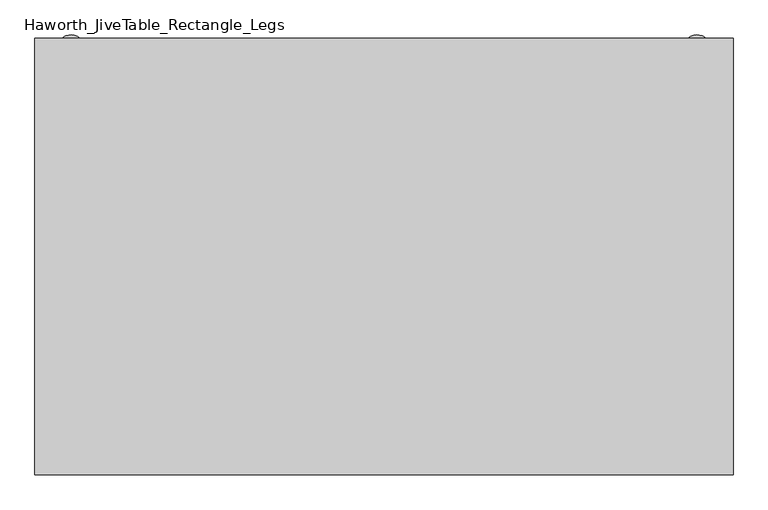
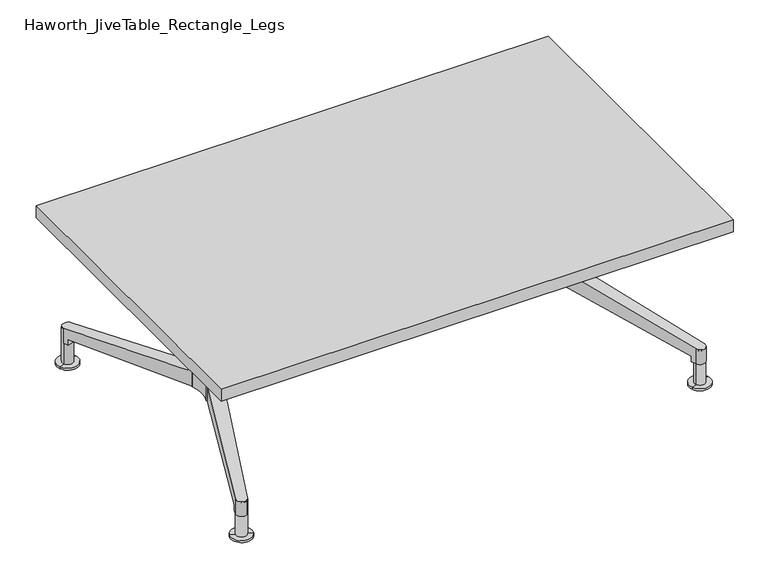
"""IFC4 building model written with IfcOpenShell, lengths in millimetres: furniture geometry, Haworth_JiveTable_Rectangle_Legs."""

from ifc_helpers import new_model, si_unit, point, frame, frame_2d, origin, place, context, project, spatial, polyline, circle_curve, ellipse_curve, trimmed, segment, composite_curve, outline, extrude, source, transform, mapped, element, save
from ifc_brep_helpers import plane_surface, cylinder_surface, revolved_surface, advanced_brep


def haworth_jivetable_rectangle_legs_92246667(model_context):
    return source(origin(), model_context, "Body", "SolidModel", [
        advanced_brep(
        [(-406.939782, 46.394844, 174.625), (-409.052618, 51.7041477, 174.625), (-440.2492791, 40.1227864, 174.625), (-438.0519076, 34.2037367, 174.625), (-438.0519076, 34.2037367, 102.4084977), (-406.939782, 46.394844, 102.3517821), (-442.043555, 44.9560194, 137.9822533), (-557.9608487, 357.201915, 95.0869561), (-557.9608487, 357.201915, 57.15), (-553.6575679, 345.6101866, 57.15), (-553.6575679, 345.6101866, 71.0642965), (-534.3669575, 366.604058, 95.0092965), (-534.3669575, 366.604058, 57.15), (-529.57087, 354.552065, 71.0642965), (-529.57087, 354.552065, 57.15), (-410.9593834, 56.4956204, 137.9822533)],
        [
            (0, 1),
            (1, 2),
            (2, 3),
            (3, 0, circle_curve(frame((-413.3103909, 16.8576957, 174.625), z_axis=(0.0, 0.0, -1.0), x_axis=(-0.3593134526521136, 0.9332169323063193, 0.0)), 30.2163497)),
            (3, 4),
            (4, 5, ellipse_curve(frame((-413.3103909, 16.8576957, 104.7554863), z_axis=(0.03269517950241107, -0.08807085880985695, -0.9955774952588069), x_axis=(-0.34648971245974763, 0.9333377889196182, -0.09394387119019494)), 30.3505753, 30.2163497)),
            (5, 0),
            (2, 6),
            (6, 7),
            (7, 8),
            (8, 9),
            (9, 10),
            (10, 4),
            (11, 12),
            (12, 8, circle_curve(frame((-546.1089937, 361.7651959, 57.15), z_axis=(0.0, 0.0, 1.0), x_axis=(-0.3593134526521136, 0.9332169323063193, 0.0)), 12.7)),
            (7, 11, ellipse_curve(frame((-546.1089937, 361.7651959, 95.0672239), z_axis=(0.044454920445371346, -0.11974802039728809, -0.9918085357865835), x_axis=(0.3451780057467878, -0.9298044504129871, 0.1277334268735996)), 12.8048908, 12.7)),
            (5, 13),
            (13, 14),
            (14, 12),
            (11, 15),
            (15, 1),
            (6, 15),
            (10, 13),
            (9, 14),
        ],
        [
            plane_surface(frame((-424.1675318, 45.0561049, 174.625), z_axis=(0.0, 0.0, 1.0), x_axis=(-0.9332169323063193, -0.3593134526521136, 0.0))),
            revolved_surface(polyline([(-424.1675318372507, 45.05610487252897, 101.90423576346849), (-424.1675318372507, 45.05610487252897, 174.625)]), (-413.3103909, 16.8576957, 31.75), (0.0, 0.0, -1.0)),
            plane_surface(frame((-438.0519076, 34.2037367, 174.625), z_axis=(-0.9374838155386289, -0.34802887179533554, 0.0), x_axis=(0.0, 0.0, -1.0))),
            cylinder_surface(frame((-546.1089937, 361.7651959, 31.75), z_axis=(0.0, 0.0, 1.0), x_axis=(-0.3593134526521136, 0.9332169323063193, 0.0)), 12.7),
            plane_surface(frame((-534.3669575, 366.604058, 174.625), z_axis=(0.9291321200906854, 0.3697478916989093, 0.0), x_axis=(0.0, 0.0, -1.0))),
            plane_surface(frame((-531.4342377, 400.9168313, 90.9979246), z_axis=(-0.044454920445371346, 0.11974802039728809, 0.9918085357865835), x_axis=(-0.937483815538629, -0.34802887179533504, 0.0))),
            plane_surface(frame((-404.4670274, 58.9058245, 137.9822533), z_axis=(-0.3446344404285561, 0.9283402509461395, 0.13932509086218053), x_axis=(-0.937483815538629, -0.34802887179533504, 0.0))),
            plane_surface(frame((-391.7817889, 24.6192713, 104.7758894), z_axis=(0.03269517950241106, -0.08807085880985693, -0.9955774952588067), x_axis=(-0.9374838155386293, -0.3480288717953345, 0.0))),
            plane_surface(frame((-516.1190127, 359.5458949, 71.0642965), z_axis=(0.3480288717953345, -0.9374838155386293, 0.0), x_axis=(-0.9374838155386293, -0.3480288717953345, 0.0))),
            plane_surface(frame((-516.1190127, 359.5458949, 57.15), z_axis=(0.0, 0.0, -1.0), x_axis=(-0.9374838155386293, -0.3480288717953345, 0.0))),
        ],
        [
            (0, [[1, 2, 3, 4]]),
            (1, [[5, 6, 7, -4]]),
            (2, [[8, 9, 10, 11, 12, 13, -5, -3]]),
            (3, [[14, 15, -10, 16]]),
            (4, [[-7, 17, 18, 19, -14, 20, 21, -1]]),
            (5, [[-20, -16, -9, 22]]),
            (6, [[-8, -2, -21, -22]]),
            (7, [[-17, -6, -13, 23]]),
            (8, [[-12, 24, -18, -23]]),
            (9, [[-11, -15, -19, -24]]),
        ],
    ),
        advanced_brep(
        [(-406.7593483, -38.8895971, 174.625), (-437.871474, -26.6984898, 174.625), (-440.0688454, -32.6175395, 174.625), (-408.8721843, -44.1989008, 174.625), (-406.7593483, -38.8895971, 102.3517821), (-437.871474, -26.6984898, 102.4084977), (-553.4771342, -338.1049397, 71.0642965), (-553.4771342, -338.1049397, 57.15), (-557.780415, -349.6966681, 57.15), (-557.780415, -349.6966681, 95.0869561), (-441.8631214, -37.4507725, 137.9822533), (-534.1865238, -359.0988111, 95.0092965), (-534.1865238, -359.0988111, 57.15), (-410.7789497, -48.9903736, 137.9822533), (-529.3904363, -347.0468182, 57.15), (-529.3904363, -347.0468182, 71.0642965)],
        [
            (0, 1, circle_curve(frame((-413.1299572, -9.3524488, 174.625), z_axis=(0.0, 0.0, -1.0), x_axis=(-0.3593134526521136, -0.9332169323063193, 0.0)), 30.2163497)),
            (1, 2),
            (2, 3),
            (3, 0),
            (0, 4),
            (4, 5, ellipse_curve(frame((-413.1299572, -9.3524488, 104.7554863), z_axis=(0.03269517950241107, 0.08807085880985695, -0.9955774952588069), x_axis=(-0.34648971245974763, -0.9333377889196182, -0.09394387119019494)), 30.3505753, 30.2163497)),
            (5, 1),
            (5, 6),
            (6, 7),
            (7, 8),
            (8, 9),
            (9, 10),
            (10, 2),
            (11, 9, ellipse_curve(frame((-545.92856, -354.259949, 95.0672239), z_axis=(0.044454920445371346, 0.11974802039728809, -0.9918085357865835), x_axis=(0.3451780057467878, 0.9298044504129871, 0.1277334268735996)), 12.8048908, 12.7)),
            (8, 12, circle_curve(frame((-545.92856, -354.259949, 57.15), z_axis=(0.0, 0.0, 1.0), x_axis=(-0.3593134526521136, -0.9332169323063193, 0.0)), 12.7)),
            (12, 11),
            (3, 13),
            (13, 11),
            (12, 14),
            (14, 15),
            (15, 4),
            (13, 10),
            (15, 6),
            (14, 7),
        ],
        [
            plane_surface(frame((-423.9870981, -37.550858, 174.625), z_axis=(0.0, 0.0, 1.0), x_axis=(-0.9332169323063193, 0.3593134526521136, 0.0))),
            revolved_surface(polyline([(-423.98709813725065, -37.550857972528966, 101.90423576346849), (-423.98709813725065, -37.550857972528966, 174.625)]), (-413.1299572, -9.3524488, 31.75), (0.0, 0.0, -1.0)),
            plane_surface(frame((-437.871474, -26.6984898, 174.625), z_axis=(-0.9374838155386289, 0.34802887179533554, 0.0), x_axis=(0.0, 0.0, -1.0))),
            cylinder_surface(frame((-545.92856, -354.259949, 31.75), z_axis=(0.0, 0.0, 1.0), x_axis=(-0.3593134526521136, -0.9332169323063193, 0.0)), 12.7),
            plane_surface(frame((-534.1865238, -359.0988111, 174.625), z_axis=(0.9291321200906854, -0.3697478916989093, 0.0), x_axis=(0.0, 0.0, -1.0))),
            plane_surface(frame((-531.2538041, -393.4115844, 90.9979246), z_axis=(-0.044454920445371346, -0.11974802039728809, 0.9918085357865835), x_axis=(-0.937483815538629, 0.34802887179533504, 0.0))),
            plane_surface(frame((-404.2865937, -51.4005777, 137.9822533), z_axis=(-0.3446344404285561, -0.9283402509461395, 0.13932509086218053), x_axis=(-0.937483815538629, 0.34802887179533504, 0.0))),
            plane_surface(frame((-391.6013553, -17.1140244, 104.7758894), z_axis=(0.03269517950241106, 0.08807085880985693, -0.9955774952588067), x_axis=(-0.9374838155386293, 0.3480288717953345, 0.0))),
            plane_surface(frame((-515.938579, -352.0406481, 71.0642965), z_axis=(0.3480288717953345, 0.9374838155386293, 0.0), x_axis=(-0.9374838155386293, 0.3480288717953345, 0.0))),
            plane_surface(frame((-515.938579, -352.0406481, 57.15), z_axis=(0.0, 0.0, -1.0), x_axis=(-0.9374838155386293, 0.3480288717953345, 0.0))),
        ],
        [
            (0, [[1, 2, 3, 4]]),
            (1, [[-1, 5, 6, 7]]),
            (2, [[-2, -7, 8, 9, 10, 11, 12, 13]]),
            (3, [[14, -11, 15, 16]]),
            (4, [[-4, 17, 18, -16, 19, 20, 21, -5]]),
            (5, [[22, -12, -14, -18]]),
            (6, [[-22, -17, -3, -13]]),
            (7, [[23, -8, -6, -21]]),
            (8, [[-23, -20, 24, -9]]),
            (9, [[-24, -19, -15, -10]]),
        ],
    ),
        advanced_brep(
        [(-546.3830169, 361.6596896, 92.075), (-534.5311618, 366.2229705, 92.075), (-558.2348719, 357.0964088, 92.075), (-570.0867269, 352.5331279, 0.0), (-522.6793068, 370.7862513, 0.0), (-546.3830169, 361.6596896, 0.0), (-570.0867269, 352.5331279, 4.7625), (-522.6793068, 370.7862513, 4.7625), (-558.2348719, 357.0964088, 4.7625), (-534.5311618, 366.2229705, 4.7625)],
        [
            (0, 1),
            (1, 2, circle_curve(frame((-546.3830169, 361.6596896, 92.075), z_axis=(0.0, 0.0, 1.0), x_axis=(0.9332169323062139, 0.3593134526523873, 0.0)), 12.7)),
            (2, 0),
            (2, 1, circle_curve(frame((-546.3830169, 361.6596896, 92.075), z_axis=(0.0, 0.0, 1.0), x_axis=(0.9332169323062139, 0.3593134526523873, 0.0)), 12.7)),
            (3, 4, circle_curve(frame((-546.3830169, 361.6596896, 0.0), z_axis=(0.0, 0.0, -1.0), x_axis=(0.9332169323062139, 0.3593134526523873, 0.0)), 25.4)),
            (4, 5),
            (5, 3),
            (4, 3, circle_curve(frame((-546.3830169, 361.6596896, 0.0), z_axis=(0.0, 0.0, -1.0), x_axis=(0.9332169323062139, 0.3593134526523873, 0.0)), 25.4)),
            (6, 7, circle_curve(frame((-546.3830169, 361.6596896, 4.7625), z_axis=(0.0, 0.0, -1.0), x_axis=(0.9332169323062139, 0.3593134526523873, 0.0)), 25.4)),
            (7, 4),
            (3, 6),
            (7, 6, circle_curve(frame((-546.3830169, 361.6596896, 4.7625), z_axis=(0.0, 0.0, -1.0), x_axis=(0.9332169323062139, 0.3593134526523873, 0.0)), 25.4)),
            (8, 9, circle_curve(frame((-546.3830169, 361.6596896, 4.7625), z_axis=(0.0, 0.0, -1.0), x_axis=(0.9332169323062139, 0.3593134526523873, 0.0)), 12.7)),
            (9, 7),
            (6, 8),
            (9, 8, circle_curve(frame((-546.3830169, 361.6596896, 4.7625), z_axis=(0.0, 0.0, -1.0), x_axis=(0.9332169323062139, 0.3593134526523873, 0.0)), 12.7)),
            (1, 9),
            (8, 2),
        ],
        [
            plane_surface(frame((-546.3830169, 361.6596896, 92.075), z_axis=(0.0, 0.0, 1.0), x_axis=(0.9332169323062139, 0.3593134526523873, 0.0))),
            plane_surface(frame((-546.3830169, 361.6596896, 0.0), z_axis=(0.0, 0.0, -1.0), x_axis=(0.9332169323062139, 0.3593134526523873, 0.0))),
            cylinder_surface(frame((-546.3830169, 361.6596896, 106.1427212), z_axis=(0.0, 0.0, 1.0), x_axis=(0.9332169323062139, 0.3593134526523873, 0.0)), 25.4),
            plane_surface(frame((-546.3830169, 361.6596896, 4.7625), z_axis=(0.0, 0.0, 1.0), x_axis=(0.9332169323062139, 0.3593134526523873, 0.0))),
            cylinder_surface(frame((-546.3830169, 361.6596896, 106.1427212), z_axis=(0.0, 0.0, 1.0), x_axis=(0.9332169323062139, 0.3593134526523873, 0.0)), 12.7),
        ],
        [
            (0, [[1, 2, 3]]),
            (0, [[-3, 4, -1]]),
            (1, [[5, 6, 7]]),
            (1, [[8, -7, -6]]),
            (2, [[9, 10, -5, 11]]),
            (2, [[12, -11, -8, -10]]),
            (3, [[13, 14, -9, 15]]),
            (3, [[16, -15, -12, -14]]),
            (4, [[-2, 17, -13, 18]]),
            (4, [[-4, -18, -16, -17]]),
        ],
    ),
        extrude(outline(composite_curve([segment(polyline([(-480.9619314, 105.3453442), (-346.5224436, 105.3453442)]), True, "CONTINUOUS"), segment(trimmed(circle_curve(frame_2d((-346.5224436, 96.3650881)), 8.9802561), [point((-346.5224436, 105.3453442))], [point((-337.5421875, 96.3650881))], False, "CARTESIAN"), True, "CONTINUOUS"), segment(polyline([(-337.5421875, 96.3650881), (-337.5421875, -88.8743997)]), True, "CONTINUOUS"), segment(trimmed(circle_curve(frame_2d((-346.5224436, -88.8743997)), 8.9802561), [point((-337.5421875, -88.8743997))], [point((-346.5224436, -97.8546558))], False, "CARTESIAN"), True, "CONTINUOUS"), segment(polyline([(-346.5224436, -97.8546558), (-480.9619314, -97.8546558)]), True, "CONTINUOUS"), segment(trimmed(circle_curve(frame_2d((-480.9619314, -88.8743997)), 8.9802561), [point((-480.9619314, -97.8546558))], [point((-489.9421875, -88.8743997))], False, "CARTESIAN"), True, "CONTINUOUS"), segment(polyline([(-489.9421875, -88.8743997), (-489.9421875, 96.3650881)]), True, "CONTINUOUS"), segment(trimmed(circle_curve(frame_2d((-480.9619314, 96.3650881)), 8.9802561), [point((-489.9421875, 96.3650881))], [point((-480.9619314, 105.3453442))], False, "CARTESIAN"), True, "CONTINUOUS")], self_intersect=False)), frame((0.0, 0.0, 369.8875), z_axis=(0.0, 0.0, 1.0), x_axis=(1.0, 0.0, 0.0)), (0.0, 0.0, 1.0), 6.35),
        extrude(outline(composite_curve([segment(trimmed(circle_curve(frame_2d((-414.1576552, 16.8078012)), 29.9798506), [point((-439.1184015, 33.4136008))], [point((-402.7501039, 44.5325052))], False, "CARTESIAN"), True, "CONTINUOUS"), segment(trimmed(circle_curve(frame_2d((-484.3823305, 3.1751181)), 91.5109496), [point((-402.7501039, 44.5325052))], [point((-401.9207563, -36.5028689))], False, "CARTESIAN"), True, "CONTINUOUS"), segment(trimmed(circle_curve(frame_2d((-414.2111784, -11.4363855)), 27.917433), [point((-401.9207563, -36.5028689))], [point((-438.888048, -24.4914677))], False, "CARTESIAN"), True, "CONTINUOUS"), segment(trimmed(circle_curve(frame_2d((-501.1081046, 4.2140056)), 68.5225485), [point((-438.888048, -24.4914677))], [point((-439.1184015, 33.4136008))], True, "CARTESIAN"), True, "CONTINUOUS")], self_intersect=False)), frame((0.0, 0.0, 101.6), z_axis=(0.0, 0.0, 1.0), x_axis=(1.0, 0.0, 0.0)), (0.0, 0.0, 1.0), 268.2875),
        advanced_brep(
        [(-533.8580298, -358.9074256, 92.075), (-557.5617399, -349.7808639, 92.075), (-545.7098849, -354.3441448, 92.075), (-545.7098849, -354.3441448, 0.0), (-569.4135949, -345.2175831, 0.0), (-522.0061748, -363.4707065, 0.0), (-569.4135949, -345.2175831, 4.7625), (-522.0061748, -363.4707065, 4.7625), (-557.5617399, -349.7808639, 4.7625), (-533.8580298, -358.9074256, 4.7625)],
        [
            (0, 1, circle_curve(frame((-545.7098849, -354.3441448, 92.075), z_axis=(0.0, 0.0, 1.0), x_axis=(-0.9332169323062128, 0.3593134526523903, 0.0)), 12.7)),
            (1, 2),
            (2, 0),
            (1, 0, circle_curve(frame((-545.7098849, -354.3441448, 92.075), z_axis=(0.0, 0.0, 1.0), x_axis=(-0.9332169323062128, 0.3593134526523903, 0.0)), 12.7)),
            (3, 4),
            (4, 5, circle_curve(frame((-545.7098849, -354.3441448, 0.0), z_axis=(0.0, 0.0, -1.0), x_axis=(-0.9332169323062128, 0.3593134526523903, 0.0)), 25.4)),
            (5, 3),
            (5, 4, circle_curve(frame((-545.7098849, -354.3441448, 0.0), z_axis=(0.0, 0.0, -1.0), x_axis=(-0.9332169323062128, 0.3593134526523903, 0.0)), 25.4)),
            (4, 6),
            (6, 7, circle_curve(frame((-545.7098849, -354.3441448, 4.7625), z_axis=(0.0, 0.0, -1.0), x_axis=(-0.9332169323062128, 0.3593134526523903, 0.0)), 25.4)),
            (7, 5),
            (7, 6, circle_curve(frame((-545.7098849, -354.3441448, 4.7625), z_axis=(0.0, 0.0, -1.0), x_axis=(-0.9332169323062128, 0.3593134526523903, 0.0)), 25.4)),
            (6, 8),
            (8, 9, circle_curve(frame((-545.7098849, -354.3441448, 4.7625), z_axis=(0.0, 0.0, -1.0), x_axis=(-0.9332169323062128, 0.3593134526523903, 0.0)), 12.7)),
            (9, 7),
            (9, 8, circle_curve(frame((-545.7098849, -354.3441448, 4.7625), z_axis=(0.0, 0.0, -1.0), x_axis=(-0.9332169323062128, 0.3593134526523903, 0.0)), 12.7)),
            (8, 1),
            (0, 9),
        ],
        [
            plane_surface(frame((-545.7098849, -354.3441448, 92.075), z_axis=(0.0, 0.0, 1.0000000000000002), x_axis=(-0.9332169323062128, 0.3593134526523903, 0.0))),
            plane_surface(frame((-545.7098849, -354.3441448, 0.0), z_axis=(0.0, 0.0, -1.0000000000000002), x_axis=(-0.9332169323062128, 0.3593134526523903, 0.0))),
            cylinder_surface(frame((-545.7098849, -354.3441448, 106.1427212), z_axis=(0.0, 0.0, -1.0), x_axis=(-0.9332169323062128, 0.3593134526523903, 0.0)), 25.4),
            plane_surface(frame((-545.7098849, -354.3441448, 4.7625), z_axis=(0.0, 0.0, 1.0000000000000002), x_axis=(-0.9332169323062128, 0.3593134526523903, 0.0))),
            cylinder_surface(frame((-545.7098849, -354.3441448, 106.1427212), z_axis=(0.0, 0.0, -1.0), x_axis=(-0.9332169323062128, 0.3593134526523903, 0.0)), 12.7),
        ],
        [
            (0, [[1, 2, 3]]),
            (0, [[4, -3, -2]]),
            (1, [[5, 6, 7]]),
            (1, [[-7, 8, -5]]),
            (2, [[-6, 9, 10, 11]]),
            (2, [[-8, -11, 12, -9]]),
            (3, [[-10, 13, 14, 15]]),
            (3, [[-12, -15, 16, -13]]),
            (4, [[-14, 17, -1, 18]]),
            (4, [[-16, -18, -4, -17]]),
        ],
    ),
        advanced_brep(
        [(406.939782, 46.394844, 174.625), (438.0519076, 34.2037367, 174.625), (440.2492791, 40.1227864, 174.625), (409.052618, 51.7041477, 174.625), (406.939782, 46.394844, 102.3517821), (438.0519076, 34.2037367, 102.4084977), (553.6575679, 345.6101866, 71.0642965), (553.6575679, 345.6101866, 57.15), (557.9608487, 357.201915, 57.15), (557.9608487, 357.201915, 95.0869561), (442.043555, 44.9560194, 137.9822533), (534.3669575, 366.604058, 95.0092965), (534.3669575, 366.604058, 57.15), (410.9593834, 56.4956204, 137.9822533), (529.57087, 354.552065, 57.15), (529.57087, 354.552065, 71.0642965)],
        [
            (0, 1, circle_curve(frame((413.3103909, 16.8576957, 174.625), z_axis=(0.0, 0.0, -1.0), x_axis=(0.3593134526521136, 0.9332169323063193, 0.0)), 30.2163497)),
            (1, 2),
            (2, 3),
            (3, 0),
            (0, 4),
            (4, 5, ellipse_curve(frame((413.3103909, 16.8576957, 104.7554863), z_axis=(-0.03269517950241107, -0.08807085880985695, -0.9955774952588069), x_axis=(0.34648971245974763, 0.9333377889196182, -0.09394387119019494)), 30.3505753, 30.2163497)),
            (5, 1),
            (5, 6),
            (6, 7),
            (7, 8),
            (8, 9),
            (9, 10),
            (10, 2),
            (11, 9, ellipse_curve(frame((546.1089937, 361.7651959, 95.0672239), z_axis=(-0.044454920445371346, -0.11974802039728809, -0.9918085357865835), x_axis=(-0.3451780057467878, -0.9298044504129871, 0.1277334268735996)), 12.8048908, 12.7)),
            (8, 12, circle_curve(frame((546.1089937, 361.7651959, 57.15), z_axis=(0.0, 0.0, 1.0), x_axis=(0.3593134526521136, 0.9332169323063193, 0.0)), 12.7)),
            (12, 11),
            (3, 13),
            (13, 11),
            (12, 14),
            (14, 15),
            (15, 4),
            (13, 10),
            (15, 6),
            (14, 7),
        ],
        [
            plane_surface(frame((424.1675318, 45.0561049, 174.625), z_axis=(0.0, 0.0, 1.0), x_axis=(0.9332169323063193, -0.3593134526521136, 0.0))),
            revolved_surface(polyline([(424.1675318372507, 45.05610487252897, 101.90423576346849), (424.1675318372507, 45.05610487252897, 174.625)]), (413.3103909, 16.8576957, 31.75), (0.0, 0.0, -1.0)),
            plane_surface(frame((438.0519076, 34.2037367, 174.625), z_axis=(0.9374838155386289, -0.34802887179533554, 0.0), x_axis=(0.0, 0.0, -1.0))),
            cylinder_surface(frame((546.1089937, 361.7651959, 31.75), z_axis=(0.0, 0.0, 1.0), x_axis=(0.3593134526521136, 0.9332169323063193, 0.0)), 12.7),
            plane_surface(frame((534.3669575, 366.604058, 174.625), z_axis=(-0.9291321200906854, 0.3697478916989093, 0.0), x_axis=(0.0, 0.0, -1.0))),
            plane_surface(frame((531.4342377, 400.9168313, 90.9979246), z_axis=(0.044454920445371346, 0.11974802039728809, 0.9918085357865835), x_axis=(0.937483815538629, -0.34802887179533504, 0.0))),
            plane_surface(frame((404.4670274, 58.9058245, 137.9822533), z_axis=(0.3446344404285561, 0.9283402509461395, 0.13932509086218053), x_axis=(0.937483815538629, -0.34802887179533504, 0.0))),
            plane_surface(frame((391.7817889, 24.6192713, 104.7758894), z_axis=(-0.03269517950241106, -0.08807085880985693, -0.9955774952588067), x_axis=(0.9374838155386293, -0.3480288717953345, 0.0))),
            plane_surface(frame((516.1190127, 359.5458949, 71.0642965), z_axis=(-0.3480288717953345, -0.9374838155386293, 0.0), x_axis=(0.9374838155386293, -0.3480288717953345, 0.0))),
            plane_surface(frame((516.1190127, 359.5458949, 57.15), z_axis=(0.0, 0.0, -1.0), x_axis=(0.9374838155386293, -0.3480288717953345, 0.0))),
        ],
        [
            (0, [[1, 2, 3, 4]]),
            (1, [[-1, 5, 6, 7]]),
            (2, [[-2, -7, 8, 9, 10, 11, 12, 13]]),
            (3, [[14, -11, 15, 16]]),
            (4, [[-4, 17, 18, -16, 19, 20, 21, -5]]),
            (5, [[22, -12, -14, -18]]),
            (6, [[-22, -17, -3, -13]]),
            (7, [[23, -8, -6, -21]]),
            (8, [[-23, -20, 24, -9]]),
            (9, [[-24, -19, -15, -10]]),
        ],
    ),
        advanced_brep(
        [(406.7593483, -38.8895971, 174.625), (408.8721843, -44.1989008, 174.625), (440.0688454, -32.6175395, 174.625), (437.871474, -26.6984898, 174.625), (437.871474, -26.6984898, 102.4084977), (406.7593483, -38.8895971, 102.3517821), (441.8631214, -37.4507725, 137.9822533), (557.780415, -349.6966681, 95.0869561), (557.780415, -349.6966681, 57.15), (553.4771342, -338.1049397, 57.15), (553.4771342, -338.1049397, 71.0642965), (534.1865238, -359.0988111, 95.0092965), (534.1865238, -359.0988111, 57.15), (529.3904363, -347.0468182, 71.0642965), (529.3904363, -347.0468182, 57.15), (410.7789497, -48.9903736, 137.9822533)],
        [
            (0, 1),
            (1, 2),
            (2, 3),
            (3, 0, circle_curve(frame((413.1299572, -9.3524488, 174.625), z_axis=(0.0, 0.0, -1.0), x_axis=(0.3593134526521136, -0.9332169323063193, 0.0)), 30.2163497)),
            (3, 4),
            (4, 5, ellipse_curve(frame((413.1299572, -9.3524488, 104.7554863), z_axis=(-0.03269517950241107, 0.08807085880985695, -0.9955774952588069), x_axis=(0.34648971245974763, -0.9333377889196182, -0.09394387119019494)), 30.3505753, 30.2163497)),
            (5, 0),
            (2, 6),
            (6, 7),
            (7, 8),
            (8, 9),
            (9, 10),
            (10, 4),
            (11, 12),
            (12, 8, circle_curve(frame((545.92856, -354.259949, 57.15), z_axis=(0.0, 0.0, 1.0), x_axis=(0.3593134526521136, -0.9332169323063193, 0.0)), 12.7)),
            (7, 11, ellipse_curve(frame((545.92856, -354.259949, 95.0672239), z_axis=(-0.044454920445371346, 0.11974802039728809, -0.9918085357865835), x_axis=(-0.3451780057467878, 0.9298044504129871, 0.1277334268735996)), 12.8048908, 12.7)),
            (5, 13),
            (13, 14),
            (14, 12),
            (11, 15),
            (15, 1),
            (6, 15),
            (10, 13),
            (9, 14),
        ],
        [
            plane_surface(frame((423.9870981, -37.550858, 174.625), z_axis=(0.0, 0.0, 1.0), x_axis=(0.9332169323063193, 0.3593134526521136, 0.0))),
            revolved_surface(polyline([(423.98709813725065, -37.550857972528966, 101.90423576346849), (423.98709813725065, -37.550857972528966, 174.625)]), (413.1299572, -9.3524488, 31.75), (0.0, 0.0, -1.0)),
            plane_surface(frame((437.871474, -26.6984898, 174.625), z_axis=(0.9374838155386289, 0.34802887179533554, 0.0), x_axis=(0.0, 0.0, -1.0))),
            cylinder_surface(frame((545.92856, -354.259949, 31.75), z_axis=(0.0, 0.0, 1.0), x_axis=(0.3593134526521136, -0.9332169323063193, 0.0)), 12.7),
            plane_surface(frame((534.1865238, -359.0988111, 174.625), z_axis=(-0.9291321200906854, -0.3697478916989093, 0.0), x_axis=(0.0, 0.0, -1.0))),
            plane_surface(frame((531.2538041, -393.4115844, 90.9979246), z_axis=(0.044454920445371346, -0.11974802039728809, 0.9918085357865835), x_axis=(0.937483815538629, 0.34802887179533504, 0.0))),
            plane_surface(frame((404.2865937, -51.4005777, 137.9822533), z_axis=(0.3446344404285561, -0.9283402509461395, 0.13932509086218053), x_axis=(0.937483815538629, 0.34802887179533504, 0.0))),
            plane_surface(frame((391.6013553, -17.1140244, 104.7758894), z_axis=(-0.03269517950241106, 0.08807085880985693, -0.9955774952588067), x_axis=(0.9374838155386293, 0.3480288717953345, 0.0))),
            plane_surface(frame((515.938579, -352.0406481, 71.0642965), z_axis=(-0.3480288717953345, 0.9374838155386293, 0.0), x_axis=(0.9374838155386293, 0.3480288717953345, 0.0))),
            plane_surface(frame((515.938579, -352.0406481, 57.15), z_axis=(0.0, 0.0, -1.0), x_axis=(0.9374838155386293, 0.3480288717953345, 0.0))),
        ],
        [
            (0, [[1, 2, 3, 4]]),
            (1, [[5, 6, 7, -4]]),
            (2, [[8, 9, 10, 11, 12, 13, -5, -3]]),
            (3, [[14, 15, -10, 16]]),
            (4, [[-7, 17, 18, 19, -14, 20, 21, -1]]),
            (5, [[-20, -16, -9, 22]]),
            (6, [[-8, -2, -21, -22]]),
            (7, [[-17, -6, -13, 23]]),
            (8, [[-12, 24, -18, -23]]),
            (9, [[-11, -15, -19, -24]]),
        ],
    ),
        advanced_brep(
        [(546.3830169, 361.6596896, 92.075), (558.2348719, 357.0964088, 92.075), (534.5311618, 366.2229705, 92.075), (570.0867269, 352.5331279, 0.0), (546.3830169, 361.6596896, 0.0), (522.6793068, 370.7862513, 0.0), (570.0867269, 352.5331279, 4.7625), (522.6793068, 370.7862513, 4.7625), (558.2348719, 357.0964088, 4.7625), (534.5311618, 366.2229705, 4.7625)],
        [
            (0, 1),
            (1, 2, circle_curve(frame((546.3830169, 361.6596896, 92.075), z_axis=(0.0, 0.0, 1.0), x_axis=(-0.9332169323062139, 0.3593134526523873, 0.0)), 12.7)),
            (2, 0),
            (2, 1, circle_curve(frame((546.3830169, 361.6596896, 92.075), z_axis=(0.0, 0.0, 1.0), x_axis=(-0.9332169323062139, 0.3593134526523873, 0.0)), 12.7)),
            (3, 4),
            (4, 5),
            (5, 3, circle_curve(frame((546.3830169, 361.6596896, 0.0), z_axis=(0.0, 0.0, -1.0), x_axis=(-0.9332169323062139, 0.3593134526523873, 0.0)), 25.4)),
            (3, 5, circle_curve(frame((546.3830169, 361.6596896, 0.0), z_axis=(0.0, 0.0, -1.0), x_axis=(-0.9332169323062139, 0.3593134526523873, 0.0)), 25.4)),
            (6, 3),
            (5, 7),
            (7, 6, circle_curve(frame((546.3830169, 361.6596896, 4.7625), z_axis=(0.0, 0.0, -1.0), x_axis=(-0.9332169323062139, 0.3593134526523873, 0.0)), 25.4)),
            (6, 7, circle_curve(frame((546.3830169, 361.6596896, 4.7625), z_axis=(0.0, 0.0, -1.0), x_axis=(-0.9332169323062139, 0.3593134526523873, 0.0)), 25.4)),
            (8, 6),
            (7, 9),
            (9, 8, circle_curve(frame((546.3830169, 361.6596896, 4.7625), z_axis=(0.0, 0.0, -1.0), x_axis=(-0.9332169323062139, 0.3593134526523873, 0.0)), 12.7)),
            (8, 9, circle_curve(frame((546.3830169, 361.6596896, 4.7625), z_axis=(0.0, 0.0, -1.0), x_axis=(-0.9332169323062139, 0.3593134526523873, 0.0)), 12.7)),
            (1, 8),
            (9, 2),
        ],
        [
            plane_surface(frame((546.3830169, 361.6596896, 92.075), z_axis=(0.0, 0.0, 1.0), x_axis=(-0.9332169323062139, 0.3593134526523873, 0.0))),
            plane_surface(frame((546.3830169, 361.6596896, 0.0), z_axis=(0.0, 0.0, -1.0), x_axis=(-0.9332169323062139, 0.3593134526523873, 0.0))),
            cylinder_surface(frame((546.3830169, 361.6596896, 106.1427212), z_axis=(0.0, 0.0, 1.0), x_axis=(-0.9332169323062139, 0.3593134526523873, 0.0)), 25.4),
            plane_surface(frame((546.3830169, 361.6596896, 4.7625), z_axis=(0.0, 0.0, 1.0), x_axis=(-0.9332169323062139, 0.3593134526523873, 0.0))),
            cylinder_surface(frame((546.3830169, 361.6596896, 106.1427212), z_axis=(0.0, 0.0, 1.0), x_axis=(-0.9332169323062139, 0.3593134526523873, 0.0)), 12.7),
        ],
        [
            (0, [[1, 2, 3]]),
            (0, [[-3, 4, -1]]),
            (1, [[5, 6, 7]]),
            (1, [[-6, -5, 8]]),
            (2, [[9, -7, 10, 11]]),
            (2, [[-10, -8, -9, 12]]),
            (3, [[13, -11, 14, 15]]),
            (3, [[-14, -12, -13, 16]]),
            (4, [[17, -15, 18, -2]]),
            (4, [[-18, -16, -17, -4]]),
        ],
    ),
        extrude(outline(composite_curve([segment(trimmed(circle_curve(frame_2d((480.9619314, 96.3650881)), 8.9802561), [point((480.9619314, 105.3453442))], [point((489.9421875, 96.3650881))], False, "CARTESIAN"), True, "CONTINUOUS"), segment(polyline([(489.9421875, 96.3650881), (489.9421875, -88.8743997)]), True, "CONTINUOUS"), segment(trimmed(circle_curve(frame_2d((480.9619314, -88.8743997)), 8.9802561), [point((489.9421875, -88.8743997))], [point((480.9619314, -97.8546558))], False, "CARTESIAN"), True, "CONTINUOUS"), segment(polyline([(480.9619314, -97.8546558), (346.5224436, -97.8546558)]), True, "CONTINUOUS"), segment(trimmed(circle_curve(frame_2d((346.5224436, -88.8743997)), 8.9802561), [point((346.5224436, -97.8546558))], [point((337.5421875, -88.8743997))], False, "CARTESIAN"), True, "CONTINUOUS"), segment(polyline([(337.5421875, -88.8743997), (337.5421875, 96.3650881)]), True, "CONTINUOUS"), segment(trimmed(circle_curve(frame_2d((346.5224436, 96.3650881)), 8.9802561), [point((337.5421875, 96.3650881))], [point((346.5224436, 105.3453442))], False, "CARTESIAN"), True, "CONTINUOUS"), segment(polyline([(346.5224436, 105.3453442), (480.9619314, 105.3453442)]), True, "CONTINUOUS")], self_intersect=False)), frame((0.0, 0.0, 369.8875), z_axis=(0.0, 0.0, 1.0), x_axis=(1.0, 0.0, 0.0)), (0.0, 0.0, 1.0), 6.35),
        extrude(outline(composite_curve([segment(trimmed(circle_curve(frame_2d((501.1081046, 4.2140056)), 68.5225485), [point((439.1184015, 33.4136008))], [point((438.888048, -24.4914677))], True, "CARTESIAN"), True, "CONTINUOUS"), segment(trimmed(circle_curve(frame_2d((414.2111784, -11.4363855)), 27.917433), [point((438.888048, -24.4914677))], [point((401.9207563, -36.5028689))], False, "CARTESIAN"), True, "CONTINUOUS"), segment(trimmed(circle_curve(frame_2d((484.3823305, 3.1751181)), 91.5109496), [point((401.9207563, -36.5028689))], [point((402.7501039, 44.5325052))], False, "CARTESIAN"), True, "CONTINUOUS"), segment(trimmed(circle_curve(frame_2d((414.1576552, 16.8078012)), 29.9798506), [point((402.7501039, 44.5325052))], [point((439.1184015, 33.4136008))], False, "CARTESIAN"), True, "CONTINUOUS")], self_intersect=False)), frame((0.0, 0.0, 101.6), z_axis=(0.0, 0.0, 1.0), x_axis=(1.0, 0.0, 0.0)), (0.0, 0.0, 1.0), 268.2875),
        advanced_brep(
        [(533.8580298, -358.9074256, 92.075), (545.7098849, -354.3441448, 92.075), (557.5617399, -349.7808639, 92.075), (545.7098849, -354.3441448, 0.0), (522.0061748, -363.4707065, 0.0), (569.4135949, -345.2175831, 0.0), (522.0061748, -363.4707065, 4.7625), (569.4135949, -345.2175831, 4.7625), (533.8580298, -358.9074256, 4.7625), (557.5617399, -349.7808639, 4.7625)],
        [
            (0, 1),
            (1, 2),
            (2, 0, circle_curve(frame((545.7098849, -354.3441448, 92.075), z_axis=(0.0, 0.0, 1.0), x_axis=(0.9332169323062128, 0.3593134526523903, 0.0)), 12.7)),
            (0, 2, circle_curve(frame((545.7098849, -354.3441448, 92.075), z_axis=(0.0, 0.0, 1.0), x_axis=(0.9332169323062128, 0.3593134526523903, 0.0)), 12.7)),
            (3, 4),
            (4, 5, circle_curve(frame((545.7098849, -354.3441448, 0.0), z_axis=(0.0, 0.0, -1.0), x_axis=(0.9332169323062128, 0.3593134526523903, 0.0)), 25.4)),
            (5, 3),
            (5, 4, circle_curve(frame((545.7098849, -354.3441448, 0.0), z_axis=(0.0, 0.0, -1.0), x_axis=(0.9332169323062128, 0.3593134526523903, 0.0)), 25.4)),
            (4, 6),
            (6, 7, circle_curve(frame((545.7098849, -354.3441448, 4.7625), z_axis=(0.0, 0.0, -1.0), x_axis=(0.9332169323062128, 0.3593134526523903, 0.0)), 25.4)),
            (7, 5),
            (7, 6, circle_curve(frame((545.7098849, -354.3441448, 4.7625), z_axis=(0.0, 0.0, -1.0), x_axis=(0.9332169323062128, 0.3593134526523903, 0.0)), 25.4)),
            (6, 8),
            (8, 9, circle_curve(frame((545.7098849, -354.3441448, 4.7625), z_axis=(0.0, 0.0, -1.0), x_axis=(0.9332169323062128, 0.3593134526523903, 0.0)), 12.7)),
            (9, 7),
            (9, 8, circle_curve(frame((545.7098849, -354.3441448, 4.7625), z_axis=(0.0, 0.0, -1.0), x_axis=(0.9332169323062128, 0.3593134526523903, 0.0)), 12.7)),
            (8, 0),
            (2, 9),
        ],
        [
            plane_surface(frame((545.7098849, -354.3441448, 92.075), z_axis=(0.0, 0.0, 1.0000000000000002), x_axis=(0.9332169323062128, 0.3593134526523903, 0.0))),
            plane_surface(frame((545.7098849, -354.3441448, 0.0), z_axis=(0.0, 0.0, -1.0000000000000002), x_axis=(0.9332169323062128, 0.3593134526523903, 0.0))),
            cylinder_surface(frame((545.7098849, -354.3441448, 106.1427212), z_axis=(0.0, 0.0, -1.0), x_axis=(0.9332169323062128, 0.3593134526523903, 0.0)), 25.4),
            plane_surface(frame((545.7098849, -354.3441448, 4.7625), z_axis=(0.0, 0.0, 1.0000000000000002), x_axis=(0.9332169323062128, 0.3593134526523903, 0.0))),
            cylinder_surface(frame((545.7098849, -354.3441448, 106.1427212), z_axis=(0.0, 0.0, -1.0), x_axis=(0.9332169323062128, 0.3593134526523903, 0.0)), 12.7),
        ],
        [
            (0, [[1, 2, 3]]),
            (0, [[-2, -1, 4]]),
            (1, [[5, 6, 7]]),
            (1, [[-7, 8, -5]]),
            (2, [[9, 10, 11, -6]]),
            (2, [[-11, 12, -9, -8]]),
            (3, [[13, 14, 15, -10]]),
            (3, [[-15, 16, -13, -12]]),
            (4, [[17, -3, 18, -14]]),
            (4, [[-18, -4, -17, -16]]),
        ],
    ),
        extrude(outline(polyline([(609.6, 381.0), (609.6, -381.0), (-609.6, -381.0), (-609.6, 381.0), (609.6, 381.0)])), frame((0.0, 0.0, 376.2375), z_axis=(0.0, 0.0, 1.0), x_axis=(1.0, 0.0, 0.0)), (0.0, 0.0, 1.0), 30.1625),
    ])


if __name__ == "__main__":
    model = new_model("IFC4")
    model_context = context("Model", 3, world=origin())
    ifc_project = project(units=[si_unit("LENGTHUNIT", "METRE", prefix="MILLI")], contexts=[model_context])
    site = spatial("IfcSite", under=ifc_project)
    building = spatial("IfcBuilding", under=site)
    placement = place(None, origin())
    haworth_jivetable_rectangle_legs_shape = haworth_jivetable_rectangle_legs_92246667(model_context)
    element("IfcFurniture", 1, ObjectType="Haworth_JiveTable_Rectangle_Legs", at=placement, inside=building, context=model_context, shape_type="MappedRepresentation", body=[
        mapped(haworth_jivetable_rectangle_legs_shape, transform((0.0, 0.0, 0.0), x_axis=(1.0, 0.0, 0.0), y_axis=(0.0, 1.0, 0.0), z_axis=(0.0, 0.0, 1.0))),
    ])
    save(model, "model.ifc")
